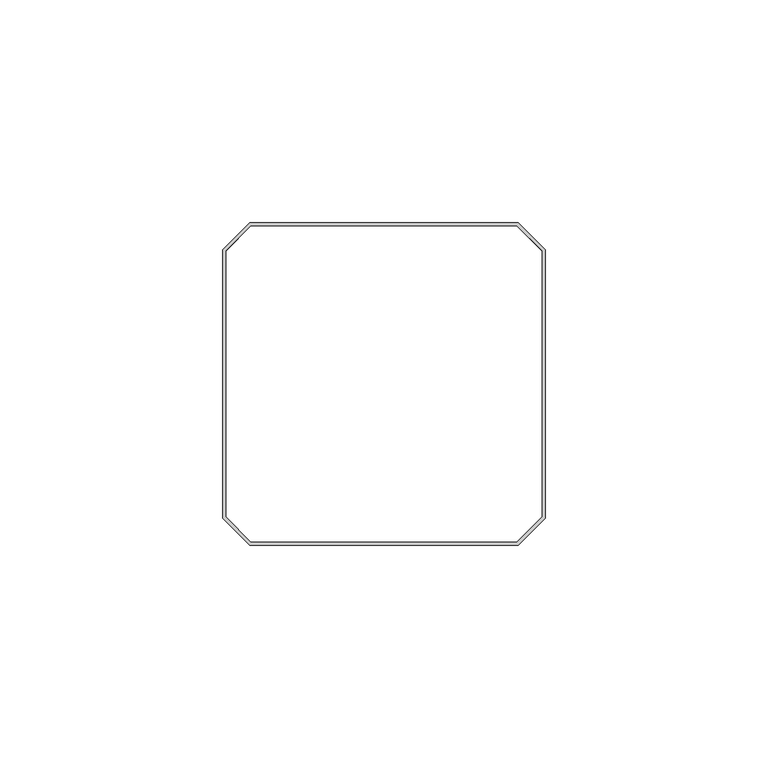
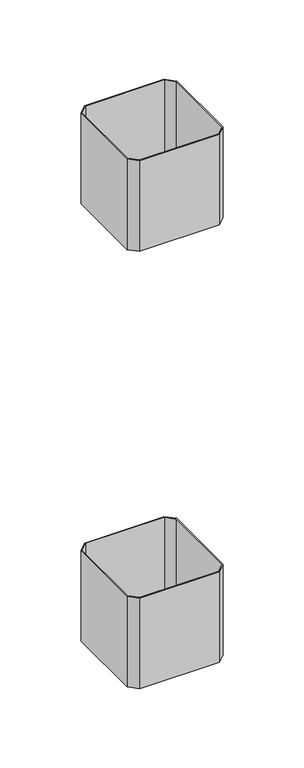
"""IFC4 building model written with IfcOpenShell, lengths in millimetres: furniture geometry."""

from ifc_helpers import new_model, si_unit, frame, origin, place, context, project, spatial, polyline, outline, extrude, source, transform, mapped, element, save


def furniture_dfd02097(model_context):
    return source(origin(), model_context, "Body", "SweptSolid", [
        extrude(outline(polyline([(69.2785021, -2.9210001), (75.3110008, -8.9535), (75.3110008, -69.2785021), (69.2785021, -75.3110008), (8.9535, -75.3110008), (2.9210001, -69.2785021), (2.9210001, -8.9535), (8.9535, -2.9210001), (69.2785021, -2.9210001)]), holes=[polyline([(3.7084001, -9.2796517), (3.7084001, -68.9523503), (9.2796517, -74.5236008), (68.9523503, -74.5236008), (74.5236008, -68.9523503), (74.5236008, -9.2796517), (68.9523503, -3.7084001), (9.2796517, -3.7084001), (3.7084001, -9.2796517)])]), frame((0.0, 0.0, 186.5299843), z_axis=(0.0, 0.0, 1.0), x_axis=(1.0, 0.0, 0.0)), (0.0, 0.0, 1.0), 72.3900036),
        extrude(outline(polyline([(69.2785021, -2.9210001), (75.3110008, -8.9535), (75.3110008, -69.2785021), (69.2785021, -75.3110008), (8.9535, -75.3110008), (2.9210001, -69.2785021), (2.9210001, -8.9535), (8.9535, -2.9210001), (69.2785021, -2.9210001)]), holes=[polyline([(3.7084001, -9.2796517), (3.7084001, -68.9523503), (9.2796517, -74.5236008), (68.9523503, -74.5236008), (74.5236008, -68.9523503), (74.5236008, -9.2796517), (68.9523503, -3.7084001), (9.2796517, -3.7084001), (3.7084001, -9.2796517)])]), frame((0.0, 0.0, 535.3812017), z_axis=(0.0, 0.0, 1.0), x_axis=(1.0, 0.0, 0.0)), (0.0, 0.0, 1.0), 72.3899855),
    ])


if __name__ == "__main__":
    model = new_model("IFC4")
    model_context = context("Model", 3, world=origin())
    ifc_project = project(units=[si_unit("LENGTHUNIT", "METRE", prefix="MILLI")], contexts=[model_context])
    site = spatial("IfcSite", under=ifc_project)
    building = spatial("IfcBuilding", under=site)
    placement = place(None, origin())
    furniture_shape = furniture_dfd02097(model_context)
    element("IfcFurniture", 1, at=placement, inside=building, context=model_context, shape_type="MappedRepresentation", body=[
        mapped(furniture_shape, transform((0.0, 0.0, 0.0), x_axis=(1.0, 0.0, 0.0), y_axis=(0.0, 1.0, 0.0), z_axis=(0.0, 0.0, 1.0))),
    ])
    save(model, "model.ifc")
